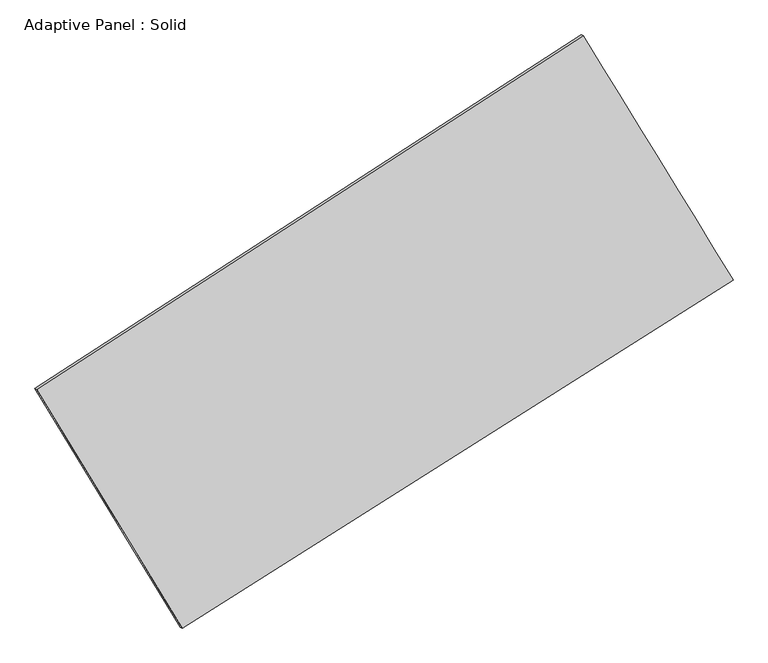
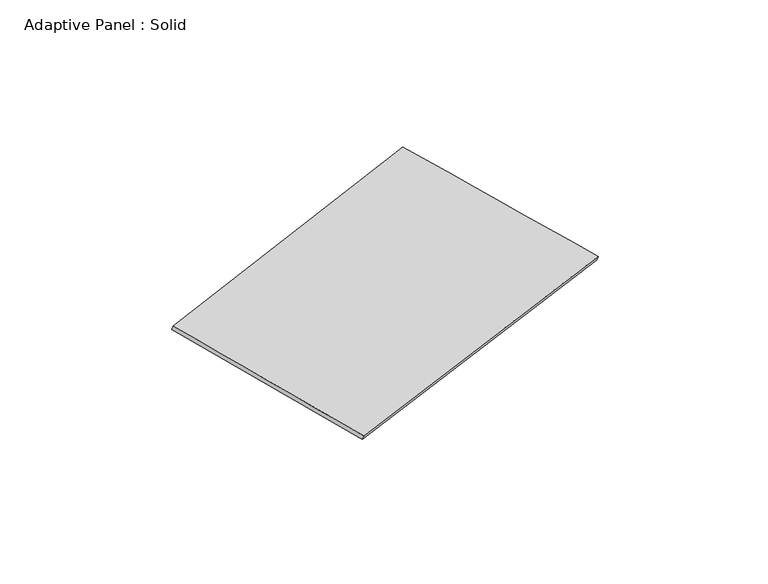
"""IFC4 building model written with IfcOpenShell, lengths in millimetres: plate geometry, Adaptive Panel : Solid."""

from ifc_helpers import new_model, si_unit, frame, origin, place, context, project, spatial, source, transform, mapped, element, save
from ifc_brep_helpers import plane_surface, spline_surface, advanced_brep


def adaptive_panel_solid_ac7ce1b1(model_context):
    return source(origin(), model_context, "Body", "AdvancedBrep", [
        advanced_brep(
        [(1119.6065458, 2545.010419, 669.1879287), (-3733.9931335, -598.6492334, 1769.0865329), (-3719.3267777, -605.0293269, 1816.459441), (1134.2729016, 2538.6303255, 716.5608367), (-2441.1105524, -2720.9765037, 1062.1410644), (-2426.4441966, -2727.3565972, 1109.5139724), (2452.206562, 374.3667453, -15.2930058), (2466.8729179, 367.9866518, 32.0799022)],
        [
            (0, 1),
            (1, 2),
            (2, 3),
            (3, 0),
            (1, 4),
            (4, 5),
            (5, 2),
            (4, 6),
            (6, 7),
            (7, 5),
            (6, 0),
            (3, 7),
        ],
        [
            plane_surface(frame((-1307.1932939, 973.1805928, 1219.1372308), z_axis=(-0.48215352728953775, 0.8360344030237878, 0.2618672432415253), x_axis=(-0.8245434946710919, -0.534053957286738, 0.18685394323363452))),
            plane_surface(frame((-3087.551843, -1659.8128686, 1415.6137987), z_axis=(-0.8132027436011844, -0.5543798432512452, 0.17709965329223926), x_axis=(0.500396480667569, -0.8214242441210416, -0.27361574023744833))),
            plane_surface(frame((5.5480048, -1173.3048792, 523.4240293), z_axis=(0.47461187961507345, -0.8408618241973836, -0.260182544256327), x_axis=(0.830850156004629, 0.5255670869475967, -0.18294057883504483))),
            plane_surface(frame((1785.9065539, 1459.6885821, 326.9474614), z_axis=(0.8129101982200106, 0.5548581766602887, -0.176944662036251), x_axis=(-0.5052648221742475, 0.8230150656094763, 0.25952583927820266))),
            spline_surface(1, 1, [[(-3719.3267777, -605.0293269, 1816.459441), (1134.2729016, 2538.6303255, 716.5608367)], [(-2426.4441966, -2727.3565972, 1109.5139724), (2466.8729179, 367.9866518, 32.0799022)]], [2, 2], [2, 2], [0.0, 1.0], [0.0, 1.0]),
            spline_surface(1, 1, [[(2452.206562, 374.3667453, -15.2930058), (1119.6065458, 2545.010419, 669.1879287)], [(-2441.1105524, -2720.9765037, 1062.1410644), (-3733.9931335, -598.6492334, 1769.0865329)]], [2, 2], [2, 2], [0.0, 1.0], [0.0, 1.0]),
        ],
        [
            (0, [[1, 2, 3, 4]]),
            (1, [[5, 6, 7, -2]]),
            (2, [[8, 9, 10, -6]]),
            (3, [[11, -4, 12, -9]]),
            (4, [[-3, -7, -10, -12]]),
            (5, [[-11, -8, -5, -1]]),
        ],
    ),
    ])


if __name__ == "__main__":
    model = new_model("IFC4")
    model_context = context("Model", 3, world=origin())
    ifc_project = project(units=[si_unit("LENGTHUNIT", "METRE", prefix="MILLI")], contexts=[model_context])
    site = spatial("IfcSite", under=ifc_project)
    building = spatial("IfcBuilding", under=site)
    placement = place(None, origin())
    adaptive_panel_solid_shape = adaptive_panel_solid_ac7ce1b1(model_context)
    element("IfcPlate", 1, ObjectType="Adaptive Panel : Solid", at=placement, inside=building, context=model_context, shape_type="MappedRepresentation", body=[
        mapped(adaptive_panel_solid_shape, transform((0.0, 0.0, 0.0), x_axis=(1.0, 0.0, 0.0), y_axis=(0.0, 1.0, 0.0), z_axis=(0.0, 0.0, 1.0))),
    ])
    save(model, "model.ifc")
